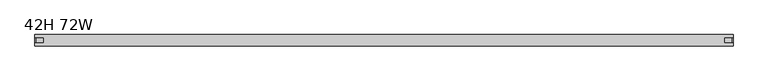
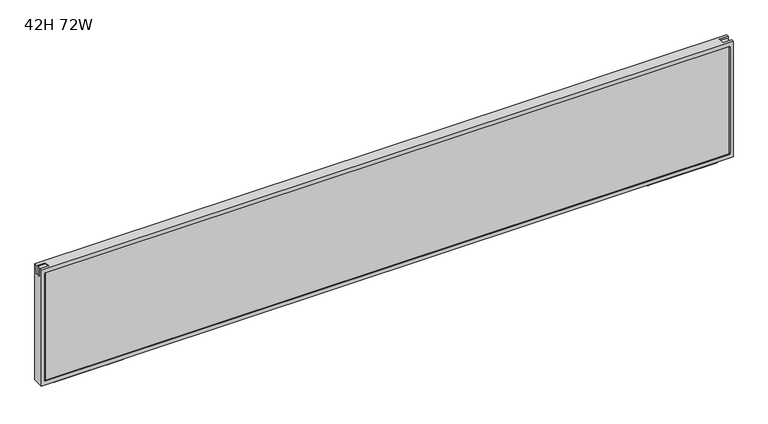
"""IFC4 building model written with IfcOpenShell, lengths in millimetres: furniture geometry, 42H 72W."""

from ifc_helpers import new_model, si_unit, frame, origin, place, context, project, spatial, polyline, circle_curve, outline, extrude, source, transform, mapped, element, save
from ifc_brep_helpers import plane_surface, revolved_surface, advanced_brep


def furniture_42h_72w_394e84ec(model_context):
    return source(origin(), model_context, "Body", "SolidModel", [
        extrude(outline(polyline([(8.4697679, 726.1923898), (6.659978, 724.3826), (-6.659978, 724.3826), (-8.4697679, 726.1923898), (-8.7854056, 732.2151161), (8.7854056, 732.2151161), (8.4697679, 726.1923898)])), frame((1603.4119922, 0.0, 0.0), z_axis=(1.0, 0.0, 0.0), x_axis=(0.0, 1.0, 0.0)), (0.0, 0.0, 1.0), 184.6490785),
        extrude(outline(polyline([(8.4697679, 726.1923898), (6.659978, 724.3826), (-6.659978, 724.3826), (-8.4697679, 726.1923898), (-8.7854056, 732.2151161), (8.7854056, 732.2151161), (8.4697679, 726.1923898)])), frame((37.6909293, 0.0, 0.0), z_axis=(1.0, 0.0, 0.0), x_axis=(0.0, 1.0, 0.0)), (0.0, 0.0, 1.0), 184.6490785),
        advanced_brep(
        [(0.0, -14.75, 1054.989), (0.0, -14.75, 732.2151161), (1825.752, -14.75, 732.2151161), (1825.752, -14.75, 1054.989), (1814.7519651, -14.75, 742.965114), (11.4000184, -14.75, 742.965114), (8.4000005, -14.75, 745.9651317), (8.4000005, -14.75, 1041.2389579), (11.4000383, -14.75, 1044.2389956), (1814.8728524, -14.75, 1044.2389956), (1817.752, -14.75, 1041.359848), (1817.752, -14.75, 745.9651489), (0.0, 14.75, 1054.989), (1825.752, 14.75, 1054.989), (1825.752, 14.75, 732.2151161), (0.0, 14.75, 732.2151161), (1814.7519651, 14.75, 742.965114), (1817.752, 14.75, 745.9651489), (1817.752, 14.75, 1041.359848), (1814.8728524, 14.75, 1044.2389956), (11.4000383, 14.75, 1044.2389956), (8.4000005, 14.75, 1041.2389579), (8.4000005, 14.75, 745.9651317), (11.4000184, 14.75, 742.965114), (0.0, -7.4999998, 1054.989), (0.0, -7.4999998, 1031.6078517), (0.0, 7.4999998, 1031.6078517), (0.0, 7.4999998, 1054.989), (1825.752, 7.4999998, 1054.989), (1825.752, 7.4999998, 1031.5484257), (1825.752, -7.4999998, 1031.5484257), (1825.752, -7.4999998, 1054.989), (1802.3708517, -7.4999998, 1054.989), (1802.3708517, 7.4999998, 1054.989), (23.5000004, 7.4999998, 1054.989), (23.5000004, -7.4999998, 1054.989), (23.5000004, -7.4999998, 1051.7578572), (3.3499999, -7.4999998, 1051.7578572), (3.3499999, -7.4999998, 1031.6078517), (1822.5208572, -7.4999998, 1031.5484257), (1822.5208572, -7.4999998, 1051.6984261), (1802.3708517, -7.4999998, 1051.6984261), (3.3499999, 7.4999998, 1031.6078517), (3.3499999, 7.4999998, 1051.7578572), (23.5000004, 7.4999998, 1051.7578572), (1802.3708517, 7.4999998, 1051.6984261), (1822.5208572, 7.4999998, 1051.6984261), (1822.5208572, 7.4999998, 1031.5484257)],
        [
            (0, 1),
            (1, 2),
            (2, 3),
            (3, 0),
            (4, 5),
            (5, 6, circle_curve(frame((11.4000184, -14.75, 745.9651319), z_axis=(0.0, 1.0, 0.0), x_axis=(1.0, 0.0, 0.0)), 3.0000179)),
            (6, 7),
            (7, 8, circle_curve(frame((11.4000383, -14.75, 1041.2389579), z_axis=(0.0, 1.0, 0.0), x_axis=(1.0, 0.0, 0.0)), 3.0000378)),
            (8, 9),
            (9, 10, circle_curve(frame((1814.8728524, -14.75, 1041.359848), z_axis=(0.0, 1.0, 0.0), x_axis=(1.0, 0.0, 0.0)), 2.8791476)),
            (10, 11),
            (11, 4, circle_curve(frame((1814.7519651, -14.75, 745.9651489), z_axis=(0.0, 1.0, 0.0), x_axis=(1.0, 0.0, 0.0)), 3.0000349)),
            (12, 13),
            (13, 14),
            (14, 15),
            (15, 12),
            (16, 17, circle_curve(frame((1814.7519651, 14.75, 745.9651489), z_axis=(0.0, -1.0, 0.0), x_axis=(1.0, 0.0, 0.0)), 3.0000349)),
            (17, 18),
            (18, 19, circle_curve(frame((1814.8728524, 14.75, 1041.359848), z_axis=(0.0, -1.0, 0.0), x_axis=(1.0, 0.0, 0.0)), 2.8791476)),
            (19, 20),
            (20, 21, circle_curve(frame((11.4000383, 14.75, 1041.2389579), z_axis=(0.0, -1.0, 0.0), x_axis=(1.0, 0.0, 0.0)), 3.0000378)),
            (21, 22),
            (22, 23, circle_curve(frame((11.4000184, 14.75, 745.9651319), z_axis=(0.0, -1.0, 0.0), x_axis=(1.0, 0.0, 0.0)), 3.0000179)),
            (23, 16),
            (0, 24),
            (24, 25),
            (25, 26),
            (26, 27),
            (27, 12),
            (15, 1),
            (14, 2),
            (13, 28),
            (28, 29),
            (29, 30),
            (30, 31),
            (31, 3),
            (31, 32),
            (32, 33),
            (33, 28),
            (27, 34),
            (34, 35),
            (35, 24),
            (4, 16),
            (23, 5),
            (6, 22),
            (21, 7),
            (8, 20),
            (19, 9),
            (35, 36),
            (36, 37),
            (37, 38),
            (38, 25),
            (30, 39),
            (39, 40),
            (40, 41),
            (41, 32),
            (26, 42),
            (42, 43),
            (43, 44),
            (44, 34),
            (33, 45),
            (45, 46),
            (46, 47),
            (47, 29),
            (38, 42),
            (37, 43),
            (44, 36),
            (41, 45),
            (40, 46),
            (39, 47),
            (18, 10),
            (17, 11),
        ],
        [
            plane_surface(frame((0.0, -14.75, 1054.989), z_axis=(0.0, -1.0, 0.0), x_axis=(0.0, 0.0, -1.0))),
            plane_surface(frame((0.0, 14.75, 1054.989), z_axis=(0.0, 1.0, 0.0), x_axis=(0.0, 0.0, 1.0))),
            plane_surface(frame((0.0, -14.75, 1054.989), z_axis=(-1.0, 0.0, 0.0), x_axis=(0.0, 1.0, 0.0))),
            plane_surface(frame((0.0, -14.75, 732.2151161), z_axis=(0.0, 0.0, -1.0), x_axis=(0.0, 1.0, 0.0))),
            plane_surface(frame((1825.752, -14.75, 732.2151161), z_axis=(1.0, 0.0, 0.0), x_axis=(0.0, 1.0, 0.0))),
            plane_surface(frame((1825.752, -14.75, 1054.989), z_axis=(0.0, 0.0, 1.0), x_axis=(0.0, 1.0, 0.0))),
            plane_surface(frame((1814.7519651, -14.75, 742.965114), z_axis=(0.0, 0.0, 1.0), x_axis=(0.0, 1.0, 0.0))),
            plane_surface(frame((8.4000005, -14.75, 745.9651317), z_axis=(1.0, 0.0, 0.0), x_axis=(0.0, 1.0, 0.0))),
            plane_surface(frame((11.4000383, -14.75, 1044.2389956), z_axis=(0.0, 0.0, -1.0), x_axis=(0.0, 1.0, 0.0))),
            plane_surface(frame((0.0, -7.4999998, 1054.989), z_axis=(0.0, 1.0, 0.0), x_axis=(0.0, 0.0, -1.0))),
            plane_surface(frame((0.0, 7.4999998, 1054.989), z_axis=(0.0, -1.0, 0.0), x_axis=(0.0, 0.0, 1.0))),
            plane_surface(frame((0.0, -7.4999998, 1031.6078517), z_axis=(0.0, 0.0, 1.0), x_axis=(0.0, 1.0, 0.0))),
            plane_surface(frame((3.3499999, -7.4999998, 1031.6078517), z_axis=(-1.0, 0.0, 0.0), x_axis=(0.0, 1.0, 0.0))),
            plane_surface(frame((23.5000004, -7.4999998, 1051.7578572), z_axis=(-1.0, 0.0, 0.0), x_axis=(0.0, 1.0, 0.0))),
            plane_surface(frame((3.3499999, -7.4999998, 1051.7578572), z_axis=(0.0, 0.0, 1.0), x_axis=(0.0, 1.0, 0.0))),
            plane_surface(frame((1802.3708517, -7.4999998, 1054.989), z_axis=(1.0, 0.0, 0.0), x_axis=(0.0, 1.0, 0.0))),
            plane_surface(frame((1802.3708517, -7.4999998, 1051.6984261), z_axis=(0.0, 0.0, 1.0), x_axis=(0.0, 1.0, 0.0))),
            plane_surface(frame((1822.5208572, -7.4999998, 1051.6984261), z_axis=(1.0, 0.0, 0.0), x_axis=(0.0, 1.0, 0.0))),
            plane_surface(frame((1822.5208572, -7.4999998, 1031.5484257), z_axis=(0.0, 0.0, 1.0), x_axis=(0.0, 1.0, 0.0))),
            revolved_surface(polyline([(14.4000363, 14.75, 745.9651319), (14.4000363, -14.75, 745.9651319)]), (11.4000184, 0.0, 745.9651319), (0.0, 1.0, 0.0)),
            revolved_surface(polyline([(14.4000761, 14.75, 1041.2389579), (14.4000761, -14.75, 1041.2389579)]), (11.4000383, 0.0, 1041.2389579), (0.0, 1.0, 0.0)),
            revolved_surface(polyline([(1817.752, 14.75, 1041.359848), (1817.752, -14.75, 1041.359848)]), (1814.8728524, 0.0, 1041.359848), (0.0, 1.0, 0.0)),
            plane_surface(frame((1817.752, -14.75, 1041.359848), z_axis=(-1.0, 0.0, 0.0), x_axis=(0.0, 1.0, 0.0))),
            revolved_surface(polyline([(1817.752, 14.75, 745.9651489), (1817.752, -14.75, 745.9651489)]), (1814.7519651, 0.0, 745.9651489), (0.0, 1.0, 0.0)),
        ],
        [
            (0, [[1, 2, 3, 4], [5, 6, 7, 8, 9, 10, 11, 12]]),
            (1, [[13, 14, 15, 16], [17, 18, 19, 20, 21, 22, 23, 24]]),
            (2, [[-1, 25, 26, 27, 28, 29, -16, 30]]),
            (3, [[-2, -30, -15, 31]]),
            (4, [[-3, -31, -14, 32, 33, 34, 35, 36]]),
            (5, [[-4, -36, 37, 38, 39, -32, -13, -29, 40, 41, 42, -25]]),
            (6, [[-5, 43, -24, 44]]),
            (7, [[-7, 45, -22, 46]]),
            (8, [[-9, 47, -20, 48]]),
            (9, [[49, 50, 51, 52, -26, -42]]),
            (9, [[53, 54, 55, 56, -37, -35]]),
            (10, [[57, 58, 59, 60, -40, -28]]),
            (10, [[61, 62, 63, 64, -33, -39]]),
            (11, [[-52, 65, -57, -27]]),
            (12, [[-51, 66, -58, -65]]),
            (13, [[-49, -41, -60, 67]]),
            (14, [[-50, -67, -59, -66]]),
            (15, [[-56, 68, -61, -38]]),
            (16, [[-55, 69, -62, -68]]),
            (17, [[-54, 70, -63, -69]]),
            (18, [[-53, -34, -64, -70]]),
            (19, [[-6, -44, -23, -45]]),
            (20, [[-8, -46, -21, -47]]),
            (21, [[-10, -48, -19, 71]]),
            (22, [[-11, -71, -18, 72]]),
            (23, [[-12, -72, -17, -43]]),
        ],
    ),
        extrude(outline(polyline([(1815.252, 13.2219268), (1815.252, -13.2456324), (10.5, -13.2456324), (10.5, 13.2219268), (1815.252, 13.2219268)])), frame((0.0, 0.0, 743.3543649), z_axis=(0.0, 0.0, 1.0), x_axis=(1.0, 0.0, 0.0)), (0.0, 0.0, 1.0), 301.2212067),
    ])


if __name__ == "__main__":
    model = new_model("IFC4")
    model_context = context("Model", 3, world=origin())
    ifc_project = project(units=[si_unit("LENGTHUNIT", "METRE", prefix="MILLI")], contexts=[model_context])
    site = spatial("IfcSite", under=ifc_project)
    building = spatial("IfcBuilding", under=site)
    placement = place(None, origin())
    furniture_42h_72w_shape = furniture_42h_72w_394e84ec(model_context)
    element("IfcFurniture", 1, ObjectType="42H 72W", at=placement, inside=building, context=model_context, shape_type="MappedRepresentation", body=[
        mapped(furniture_42h_72w_shape, transform((0.0, 0.0, 0.0), x_axis=(1.0, 0.0, 0.0), y_axis=(0.0, 1.0, 0.0), z_axis=(0.0, 0.0, 1.0))),
    ])
    save(model, "model.ifc")
